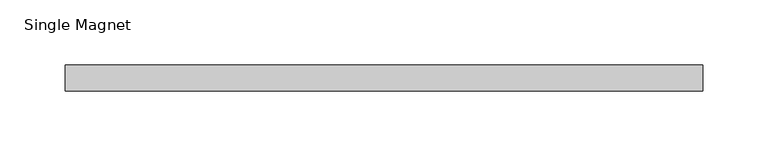
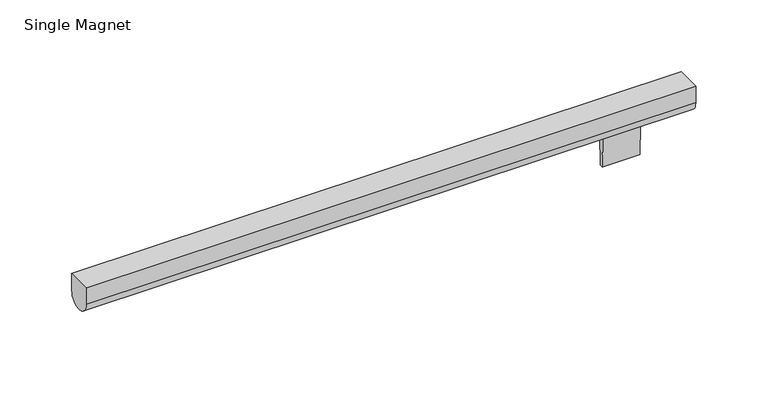
"""IFC4 building model written with IfcOpenShell, lengths in millimetres: light fixture geometry, Single Magnet."""

from ifc_helpers import new_model, si_unit, point, frame, frame_2d, origin, place, context, project, spatial, polyline, circle_curve, trimmed, segment, composite_curve, outline, extrude, source, transform, mapped, element, save


def single_magnet_c7d7b03b(model_context):
    return source(origin(), model_context, "Body", "SweptSolid", [
        extrude(outline(composite_curve([segment(polyline([(1.34239, 1257.0706062), (-1.34239, 1257.0706062), (-2.2377752, 1282.4569561)]), True, "CONTINUOUS"), segment(trimmed(circle_curve(frame_2d((0.0, 1292.225)), 10.0210938), [point((-2.2377752, 1282.4569561))], [point((2.2377752, 1282.4569561))], True, "CARTESIAN"), True, "CONTINUOUS"), segment(polyline([(2.2377752, 1282.4569561), (1.34239, 1257.0706062)]), True, "CONTINUOUS")], self_intersect=False)), frame((175.0044125, 0.0, 0.0), z_axis=(1.0, 0.0, 0.0), x_axis=(0.0, 1.0, 0.0)), (0.0, 0.0, 1.0), 29.972),
        extrude(outline(composite_curve([segment(polyline([(-10.0210938, 1292.225), (-10.0210938, 1306.5125), (10.0210937, 1306.5125), (10.0210937, 1292.225)]), True, "CONTINUOUS"), segment(trimmed(circle_curve(frame_2d((0.0, 1292.225)), 10.0210938), [point((10.0210937, 1292.225))], [point((-10.0210938, 1292.225))], False, "CARTESIAN"), True, "CONTINUOUS")], self_intersect=False)), frame((-245.0703125, 0.0, 0.0), z_axis=(1.0, 0.0, 0.0), x_axis=(0.0, 1.0, 0.0)), (0.0, 0.0, 1.0), 490.140625),
    ])


if __name__ == "__main__":
    model = new_model("IFC4")
    model_context = context("Model", 3, world=origin())
    ifc_project = project(units=[si_unit("LENGTHUNIT", "METRE", prefix="MILLI")], contexts=[model_context])
    site = spatial("IfcSite", under=ifc_project)
    building = spatial("IfcBuilding", under=site)
    placement = place(None, origin())
    single_magnet_shape = single_magnet_c7d7b03b(model_context)
    element("IfcLightFixture", 1, ObjectType="Single Magnet", at=placement, inside=building, context=model_context, shape_type="MappedRepresentation", body=[
        mapped(single_magnet_shape, transform((0.0, 0.0, 0.0), x_axis=(1.0, 0.0, 0.0), y_axis=(0.0, 1.0, 0.0), z_axis=(0.0, 0.0, 1.0))),
    ])
    save(model, "model.ifc")
